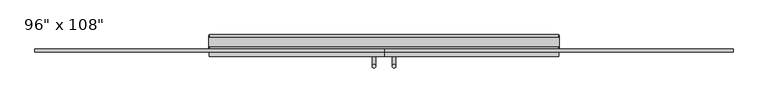
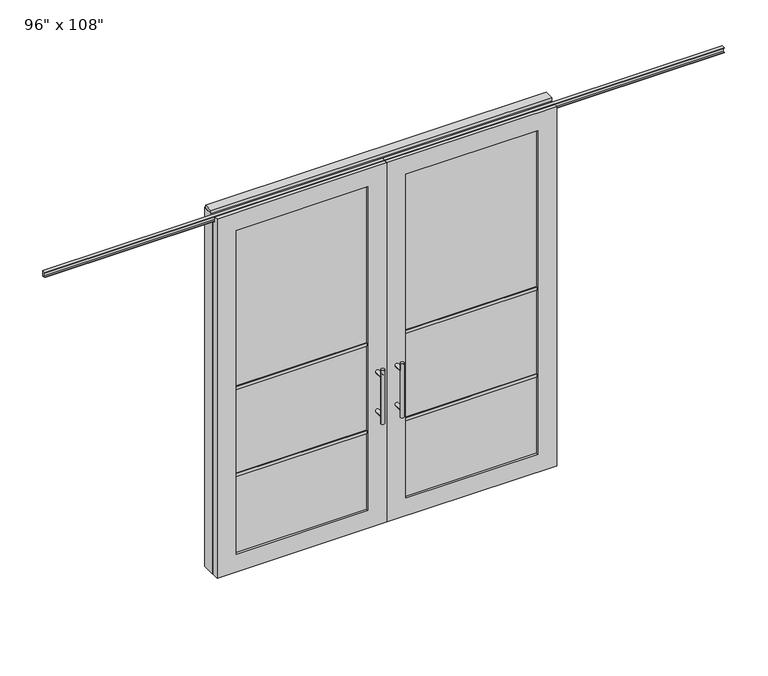
"""IFC4 building model written with IfcOpenShell, lengths in millimetres: furniture geometry."""

import ifcopenshell
import ifcopenshell.guid

model = None  # the IFC model being written
_history = None  # IfcOwnerHistory: only IFC2X3 demands one
_inside = {}  # id of a spatial element -> (the spatial element, [elements in it])
_under = {}  # id of a project, library or spatial element -> (it, [spatial elements below it])
_declared = {}  # id of a project -> (the project, [libraries it declares])
_typed = {}  # id of a type object -> (the type object, [elements of that type])
_made_of = {}  # id of a material, layer set ... -> (it, [elements and type objects made of it])


def new_model(schema):
    """Start an empty IFC model of exactly this schema.

    Asked for "IFC4X3", IfcOpenShell would pick the latest addendum, in which some entities
    have other attributes; the version numbers below select the first issue.
    IFC2X3 requires an IfcOwnerHistory on every rooted entity: one is made here for all.
    """
    global model, _history
    if schema == "IFC4X3":
        model = ifcopenshell.file(schema_version=(4, 3, 0, 0))
    else:
        model = ifcopenshell.file(schema=schema)
    _inside.clear()
    _under.clear()
    _declared.clear()
    _typed.clear()
    _made_of.clear()
    _history = None
    if model.schema == "IFC2X3":
        org = make("IfcOrganization", Name="unknown")
        user = make(
            "IfcPersonAndOrganization",
            ThePerson=make("IfcPerson", FamilyName="unknown"),
            TheOrganization=org,
        )
        app = make(
            "IfcApplication",
            ApplicationDeveloper=org,
            Version="unknown",
            ApplicationFullName="unknown",
            ApplicationIdentifier="unknown",
        )
        _history = make(
            "IfcOwnerHistory",
            OwningUser=user,
            OwningApplication=app,
            ChangeAction="ADDED",
            CreationDate=0,
        )
    return model


def make(cls, **values):
    """One entity of the class cls with the attributes given. An attribute that is None is left unset."""
    return model.create_entity(
        cls, **{name: value for name, value in values.items() if value is not None}
    )


def rooted(cls, **values):
    """An entity with a GlobalId (a new one), such as an element, a storey or a relation."""
    return make(cls, GlobalId=ifcopenshell.guid.new(), OwnerHistory=_history, **values)


def si_unit(unit_type, name, prefix=None):
    """IfcSIUnit, for example si_unit("LENGTHUNIT", "METRE", prefix="MILLI")."""
    return make("IfcSIUnit", UnitType=unit_type, Prefix=prefix, Name=name)


def assignment(units):
    """IfcUnitAssignment: the units of a project."""
    return None if units is None else make("IfcUnitAssignment", Units=units)


def point(xyz):
    """IfcCartesianPoint."""
    return None if xyz is None else make("IfcCartesianPoint", Coordinates=xyz)


def direction(xyz):
    """IfcDirection."""
    return None if xyz is None else make("IfcDirection", DirectionRatios=xyz)


def frame(location, z_axis=None, x_axis=None):
    """IfcAxis2Placement3D, a coordinate frame: its origin and axes. An axis left out is left unset."""
    return make(
        "IfcAxis2Placement3D",
        Location=point(location),
        Axis=direction(z_axis),
        RefDirection=direction(x_axis),
    )


def origin():
    """The frame at (0, 0, 0) with its axes left unset."""
    return frame((0.0, 0.0, 0.0))


def origin_with_axes():
    """The frame at (0, 0, 0) with the z axis (0, 0, 1) and the x axis (1, 0, 0) written out."""
    return frame((0.0, 0.0, 0.0), z_axis=(0.0, 0.0, 1.0), x_axis=(1.0, 0.0, 0.0))


def place(relative_to, where):
    """IfcLocalPlacement: puts the frame where relative to a parent placement (None: the world)."""
    return make(
        "IfcLocalPlacement", PlacementRelTo=relative_to, RelativePlacement=where
    )


def context(
    kind, dimensions, precision=None, world=None, true_north=None, identifier=None
):
    """IfcGeometricRepresentationContext, for example the 3D "Model" context."""
    return make(
        "IfcGeometricRepresentationContext",
        ContextIdentifier=identifier,
        ContextType=kind,
        CoordinateSpaceDimension=dimensions,
        Precision=precision,
        WorldCoordinateSystem=world,
        TrueNorth=true_north,
    )


def project(units=None, contexts=None):
    """IfcProject with its units and contexts."""
    return rooted(
        "IfcProject",
        Name="project",
        RepresentationContexts=contexts,
        UnitsInContext=assignment(units),
    )


def spatial(cls, under=None, at=None, **own):
    """A site, building, storey or space (cls), placed at a placement, below another one or the project."""
    s = rooted(cls, ObjectPlacement=at, **own)
    if under is not None:
        _under.setdefault(under.id(), (under, []))[1].append(s)
    return s


def polyline(points):
    """IfcPolyline through the points."""
    return make("IfcPolyline", Points=[point(p) for p in points])


def circle_curve(where, radius):
    """IfcCircle in the frame where."""
    return make("IfcCircle", Position=where, Radius=radius)


def ellipse_curve(where, semi_axis1, semi_axis2):
    """IfcEllipse in the frame where."""
    return make(
        "IfcEllipse", Position=where, SemiAxis1=semi_axis1, SemiAxis2=semi_axis2
    )


def outline(outer, holes=None, kind="AREA"):
    """IfcArbitraryClosedProfileDef: a profile drawn as a closed curve; with holes, ...WithVoids."""
    if holes is None:
        return make("IfcArbitraryClosedProfileDef", ProfileType=kind, OuterCurve=outer)
    return make(
        "IfcArbitraryProfileDefWithVoids",
        ProfileType=kind,
        OuterCurve=outer,
        InnerCurves=holes,
    )


def extrude(swept, where, along, depth):
    """IfcExtrudedAreaSolid: the profile swept, set in the frame where, extruded along a direction by depth."""
    return make(
        "IfcExtrudedAreaSolid",
        SweptArea=swept,
        Position=where,
        ExtrudedDirection=direction(along),
        Depth=depth,
    )


def faces_of(points, faces, orient=None, outer=None):
    """IfcFace entities. A face is a list of loops; a loop is a list of indices into points, from 0.

    orient and outer hold one flag for each loop. By default every Orientation is true, the
    first loop of a face is its IfcFaceOuterBound and the others are IfcFaceBound.
    """
    made = []
    for i, loops in enumerate(faces):
        bounds = []
        for j, loop in enumerate(loops):
            is_outer = j == 0 if outer is None else outer[i][j]
            bounds.append(
                make(
                    "IfcFaceOuterBound" if is_outer else "IfcFaceBound",
                    Bound=make("IfcPolyLoop", Polygon=[points[k] for k in loop]),
                    Orientation=True if orient is None else orient[i][j],
                )
            )
        made.append(make("IfcFace", Bounds=bounds))
    return made


def faceted_brep(points, faces, orient=None, outer=None, voids=None):
    """IfcFacetedBrep: a solid bounded by flat faces; with voids (closed shells), ...WithVoids."""
    shared = [point(p) for p in points]
    hull = make("IfcClosedShell", CfsFaces=faces_of(shared, faces, orient, outer))
    if voids is None:
        return make("IfcFacetedBrep", Outer=hull)
    return make(
        "IfcFacetedBrepWithVoids",
        Outer=hull,
        Voids=[
            make(cls, CfsFaces=faces_of(shared, fs, o, b)) for cls, fs, o, b in voids
        ],
    )


def shape(context_of_items, identifier, shape_type, items):
    """IfcShapeRepresentation: the items that make up one representation, for example the "Body"."""
    return make(
        "IfcShapeRepresentation",
        ContextOfItems=context_of_items,
        RepresentationIdentifier=identifier,
        RepresentationType=shape_type,
        Items=items,
    )


def source(mapping_origin, context_of_items, identifier, shape_type, items):
    """IfcRepresentationMap: a shape defined once, which mapped items show again and again."""
    return make(
        "IfcRepresentationMap",
        MappingOrigin=mapping_origin,
        MappedRepresentation=shape(context_of_items, identifier, shape_type, items),
    )


def transform(
    local_origin,
    x_axis=None,
    y_axis=None,
    z_axis=None,
    scale=None,
    scale2=None,
    scale3=None,
    uniform=True,
):
    """IfcCartesianTransformationOperator3D, or its non-uniform kind. x_axis, y_axis, z_axis: its Axis1, 2, 3."""
    if uniform:
        return make(
            "IfcCartesianTransformationOperator3D",
            Axis1=direction(x_axis),
            Axis2=direction(y_axis),
            LocalOrigin=point(local_origin),
            Scale=scale,
            Axis3=direction(z_axis),
        )
    return make(
        "IfcCartesianTransformationOperator3DnonUniform",
        Axis1=direction(x_axis),
        Axis2=direction(y_axis),
        LocalOrigin=point(local_origin),
        Scale=scale,
        Axis3=direction(z_axis),
        Scale2=scale2,
        Scale3=scale3,
    )


def mapped(mapping_source, mapping_target):
    """IfcMappedItem: shows the shape of a source again, moved by a transform."""
    return make(
        "IfcMappedItem", MappingSource=mapping_source, MappingTarget=mapping_target
    )


def made_of(thing, what):
    """Note that an element or type object is made of a material, layer set ...; save() writes the relation."""
    if what is not None:
        _made_of.setdefault(what.id(), (what, []))[1].append(thing)
    return thing


def element(
    cls,
    number,
    at=None,
    inside=None,
    cuts=None,
    type_object=None,
    material=None,
    context=None,
    identifier="Body",
    shape_type=None,
    held_by="IfcProductDefinitionShape",
    body=None,
    shapes=None,
    **own,
):
    """One element of the class cls, such as IfcWall. Its Tag is "e" and its number.

    at: its placement. inside: the storey or other place that contains it. cuts: it is an
    opening in that element (IfcRelVoidsElement). A single representation is given by context,
    identifier, shape_type and body (its items); several are given by shapes. held_by: the class
    of the entity that holds the representations. save() writes the other relations.
    """
    e = rooted(cls, Tag="e%d" % number, ObjectPlacement=at, **own)
    if body is not None:
        shapes = [shape(context, identifier, shape_type, body)]
    if shapes is not None:
        e.Representation = make(held_by, Representations=shapes)
    if inside is not None:
        _inside.setdefault(inside.id(), (inside, []))[1].append(e)
    if cuts is not None:
        rooted(
            "IfcRelVoidsElement", RelatingBuildingElement=cuts, RelatedOpeningElement=e
        )
    if type_object is not None:
        _typed.setdefault(type_object.id(), (type_object, []))[1].append(e)
    return made_of(e, material)


def aggregate(whole, parts):
    """IfcRelAggregates: a whole, such as a stair, and the parts it consists of."""
    return rooted("IfcRelAggregates", RelatingObject=whole, RelatedObjects=parts)


def save(model, path):
    """Write the relations noted so far, then the file.

    IfcRelAggregates (storeys below a building ...), IfcRelContainedInSpatialStructure (elements
    in a storey), IfcRelDefinesByType, IfcRelAssociatesMaterial and IfcRelDeclares: one each for
    every whole, place, type object, material and project.
    """
    for whole, parts in _under.values():
        aggregate(whole, parts)
    for where, things in _inside.values():
        rooted(
            "IfcRelContainedInSpatialStructure",
            RelatedElements=things,
            RelatingStructure=where,
        )
    for kind, things in _typed.values():
        rooted("IfcRelDefinesByType", RelatedObjects=things, RelatingType=kind)
    for what, things in _made_of.values():
        rooted("IfcRelAssociatesMaterial", RelatedObjects=things, RelatingMaterial=what)
    for by, libraries in _declared.values():
        rooted("IfcRelDeclares", RelatingContext=by, RelatedDefinitions=libraries)
    model.write(path)


def plane_surface(at):
    """IfcPlane: the flat surface through the origin of the frame at, square to its z axis."""
    return make("IfcPlane", Position=at)


def cylinder_surface(at, radius):
    """IfcCylindricalSurface: all points at the distance radius from the z axis of the frame at."""
    return make("IfcCylindricalSurface", Position=at, Radius=radius)


def advanced_brep(points, edges, surfaces, faces):
    """IfcAdvancedBrep: a solid bounded by faces that lie on surfaces and meet in shared edges.

    An edge is (start, end): straight between two places in points (the first is 0);
    or (start, end, curve); or (start, end, curve, False) where it runs against its curve.
    A face is (place in surfaces, loops), or (place, loops, False) where it looks against
    its surface's normal. A loop lists edges by number (the first is 1), with a minus sign
    where the edge is run from its end to its start. The first loop is the outer one.
    """
    corners = [point(p) for p in points]
    vertices = [make("IfcVertexPoint", VertexGeometry=c) for c in corners]
    made = []
    for start, end, *more in edges:
        made.append(
            make(
                "IfcEdgeCurve",
                EdgeStart=vertices[start],
                EdgeEnd=vertices[end],
                EdgeGeometry=more[0] if more else make("IfcPolyline", Points=[corners[start], corners[end]]),
                SameSense=more[1] if len(more) > 1 else True,
            )
        )
    hull = []
    for where, loops, *sense in faces:
        bounds = []
        for j, loop in enumerate(loops):
            ring = [make("IfcOrientedEdge", EdgeElement=made[abs(k) - 1], Orientation=k > 0) for k in loop]
            bounds.append(
                make(
                    "IfcFaceOuterBound" if j == 0 else "IfcFaceBound",
                    Bound=make("IfcEdgeLoop", EdgeList=ring),
                    Orientation=True,
                )
            )
        hull.append(make("IfcAdvancedFace", Bounds=bounds, FaceSurface=surfaces[where], SameSense=sense[0] if sense else True))
    return make("IfcAdvancedBrep", Outer=make("IfcClosedShell", CfsFaces=hull))


def furniture_5834a287(model_context):
    return source(origin(), model_context, "Body", "SolidModel", [
        advanced_brep(
        [(-117.3135229, 5.8962784, 1219.2), (-142.7135229, 5.8962784, 1219.2), (-117.3135229, 5.8962784, 812.8), (-142.7135229, 5.8962784, 812.8), (-117.3135229, 5.8962784, 1164.336), (-117.3135229, 5.8962784, 867.664), (-142.7135229, 5.8962784, 867.664), (-142.7135229, 5.8962784, 1164.336), (-117.3135229, -61.6677216, 1164.336), (-142.7135229, -61.6677216, 1164.336), (-117.3135229, -61.6677216, 867.664), (-142.7135229, -61.6677216, 867.664)],
        [
            (0, 1, circle_curve(frame((-130.0135229, 5.8962784, 1219.2), z_axis=(0.0, 0.0, 1.0), x_axis=(-1.0, 0.0, 0.0)), 12.7)),
            (1, 0, circle_curve(frame((-130.0135229, 5.8962784, 1219.2), z_axis=(0.0, 0.0, 1.0), x_axis=(-1.0, 0.0, 0.0)), 12.7)),
            (2, 3, circle_curve(frame((-130.0135229, 5.8962784, 812.8), z_axis=(0.0, 0.0, -1.0), x_axis=(-1.0, 0.0, 0.0)), 12.7)),
            (3, 2, circle_curve(frame((-130.0135229, 5.8962784, 812.8), z_axis=(0.0, 0.0, -1.0), x_axis=(-1.0, 0.0, 0.0)), 12.7)),
            (0, 4),
            (4, 5),
            (5, 2),
            (3, 6),
            (6, 7),
            (7, 1),
            (7, 4, ellipse_curve(frame((-130.0135229, 5.8962784, 1164.336), z_axis=(0.0, 0.707106781186565, 0.70710678118653), x_axis=(0.0, -0.70710678118653, 0.707106781186565)), 17.9605122, 12.7)),
            (5, 6, ellipse_curve(frame((-130.0135229, 5.8962784, 867.664), z_axis=(0.0, 0.70710678118653, -0.7071067811865649), x_axis=(0.0, 0.7071067811865648, 0.7071067811865301)), 17.9605122, 12.7)),
            (4, 7, ellipse_curve(frame((-130.0135229, 5.8962784, 1164.336), z_axis=(0.0, 0.70710678118653, -0.7071067811865649), x_axis=(0.0, 0.7071067811865648, 0.7071067811865301)), 17.9605122, 12.7)),
            (6, 5, ellipse_curve(frame((-130.0135229, 5.8962784, 867.664), z_axis=(0.0, 0.707106781186565, 0.70710678118653), x_axis=(0.0, -0.70710678118653, 0.707106781186565)), 17.9605122, 12.7)),
            (8, 9, circle_curve(frame((-130.0135229, -61.6677216, 1164.336), z_axis=(0.0, -1.0, 0.0), x_axis=(-1.0, 0.0, 0.0)), 12.7)),
            (9, 8, circle_curve(frame((-130.0135229, -61.6677216, 1164.336), z_axis=(0.0, -1.0, 0.0), x_axis=(-1.0, 0.0, 0.0)), 12.7)),
            (9, 7),
            (4, 8),
            (10, 11, circle_curve(frame((-130.0135229, -61.6677216, 867.664), z_axis=(0.0, -1.0, 0.0), x_axis=(-1.0, 0.0, 0.0)), 12.7)),
            (11, 10, circle_curve(frame((-130.0135229, -61.6677216, 867.664), z_axis=(0.0, -1.0, 0.0), x_axis=(-1.0, 0.0, 0.0)), 12.7)),
            (11, 6),
            (5, 10),
        ],
        [
            plane_surface(frame((-142.7135229, 5.8962784, 1219.2), z_axis=(0.0, 0.0, 1.0), x_axis=(0.0, -1.0, 0.0))),
            plane_surface(frame((-142.7135229, 5.8962784, 812.8), z_axis=(0.0, 0.0, -1.0), x_axis=(0.0, 1.0, 0.0))),
            cylinder_surface(frame((-130.0135229, 5.8962784, 812.8), z_axis=(0.0, 0.0, 1.0), x_axis=(-1.0, 0.0, 0.0)), 12.7),
            plane_surface(frame((-142.7135229, -61.6677216, 1164.336), z_axis=(0.0, -1.0, 0.0), x_axis=(0.0, 0.0, -1.0))),
            cylinder_surface(frame((-130.0135229, -61.6677216, 1164.336), z_axis=(0.0, 1.0, 0.0), x_axis=(-1.0, 0.0, 0.0)), 12.7),
            plane_surface(frame((-142.7135229, -61.6677216, 867.664), z_axis=(0.0, -1.0, 0.0), x_axis=(0.0, 0.0, -1.0))),
            cylinder_surface(frame((-130.0135229, -61.6677216, 867.664), z_axis=(0.0, 1.0, 0.0), x_axis=(-1.0, 0.0, 0.0)), 12.7),
        ],
        [
            (0, [[1, 2]]),
            (1, [[3, 4]]),
            (2, [[-1, 5, 6, 7, -4, 8, 9, 10]]),
            (2, [[-2, -10, 11, -5]]),
            (2, [[-3, -7, 12, -8]]),
            (2, [[13, -9, 14, -6]]),
            (3, [[15, 16]]),
            (4, [[-16, 17, -13, 18]]),
            (4, [[-15, -18, -11, -17]]),
            (5, [[19, 20]]),
            (6, [[-20, 21, -12, 22]]),
            (6, [[-19, -22, -14, -21]]),
        ],
    ),
        advanced_brep(
        [(-117.3135229, -173.6817216, 1219.2), (-142.7135229, -173.6817216, 1219.2), (-117.3135229, -173.6817216, 812.8), (-142.7135229, -173.6817216, 812.8), (-142.7135229, -173.6817216, 1164.336), (-142.7135229, -173.6817216, 867.664), (-117.3135229, -173.6817216, 867.664), (-117.3135229, -173.6817216, 1164.336), (-117.3135229, -106.1177216, 1164.336), (-142.7135229, -106.1177216, 1164.336), (-117.3135229, -106.1177216, 867.664), (-142.7135229, -106.1177216, 867.664)],
        [
            (0, 1, circle_curve(frame((-130.0135229, -173.6817216, 1219.2), z_axis=(0.0, 0.0, 1.0), x_axis=(-1.0, 0.0, 0.0)), 12.7)),
            (1, 0, circle_curve(frame((-130.0135229, -173.6817216, 1219.2), z_axis=(0.0, 0.0, 1.0), x_axis=(-1.0, 0.0, 0.0)), 12.7)),
            (2, 3, circle_curve(frame((-130.0135229, -173.6817216, 812.8), z_axis=(0.0, 0.0, -1.0), x_axis=(-1.0, 0.0, 0.0)), 12.7)),
            (3, 2, circle_curve(frame((-130.0135229, -173.6817216, 812.8), z_axis=(0.0, 0.0, -1.0), x_axis=(-1.0, 0.0, 0.0)), 12.7)),
            (1, 4),
            (4, 5),
            (5, 3),
            (2, 6),
            (6, 7),
            (7, 0),
            (6, 5, ellipse_curve(frame((-130.0135229, -173.6817216, 867.664), z_axis=(0.0, -0.707106781186565, 0.70710678118653), x_axis=(0.0, 0.70710678118653, 0.707106781186565)), 17.9605122, 12.7)),
            (4, 7, ellipse_curve(frame((-130.0135229, -173.6817216, 1164.336), z_axis=(0.0, -0.70710678118653, -0.7071067811865649), x_axis=(0.0, -0.7071067811865648, 0.7071067811865301)), 17.9605122, 12.7)),
            (7, 4, ellipse_curve(frame((-130.0135229, -173.6817216, 1164.336), z_axis=(0.0, -0.707106781186565, 0.70710678118653), x_axis=(0.0, 0.70710678118653, 0.707106781186565)), 17.9605122, 12.7)),
            (5, 6, ellipse_curve(frame((-130.0135229, -173.6817216, 867.664), z_axis=(0.0, -0.70710678118653, -0.7071067811865649), x_axis=(0.0, -0.7071067811865648, 0.7071067811865301)), 17.9605122, 12.7)),
            (8, 9, circle_curve(frame((-130.0135229, -106.1177216, 1164.336), z_axis=(0.0, 1.0, 0.0), x_axis=(-1.0, 0.0, 0.0)), 12.7)),
            (9, 8, circle_curve(frame((-130.0135229, -106.1177216, 1164.336), z_axis=(0.0, 1.0, 0.0), x_axis=(-1.0, 0.0, 0.0)), 12.7)),
            (8, 7),
            (4, 9),
            (10, 11, circle_curve(frame((-130.0135229, -106.1177216, 867.664), z_axis=(0.0, 1.0, 0.0), x_axis=(-1.0, 0.0, 0.0)), 12.7)),
            (11, 10, circle_curve(frame((-130.0135229, -106.1177216, 867.664), z_axis=(0.0, 1.0, 0.0), x_axis=(-1.0, 0.0, 0.0)), 12.7)),
            (10, 6),
            (5, 11),
        ],
        [
            plane_surface(frame((-142.7135229, -173.6817216, 1219.2), z_axis=(0.0, 0.0, 1.0), x_axis=(0.0, 1.0, 0.0))),
            plane_surface(frame((-142.7135229, -173.6817216, 812.8), z_axis=(0.0, 0.0, -1.0), x_axis=(0.0, -1.0, 0.0))),
            cylinder_surface(frame((-130.0135229, -173.6817216, 812.8), z_axis=(0.0, 0.0, 1.0), x_axis=(-1.0, 0.0, 0.0)), 12.7),
            plane_surface(frame((-142.7135229, -106.1177216, 1164.336), z_axis=(0.0, 1.0, 0.0), x_axis=(0.0, 0.0, -1.0))),
            cylinder_surface(frame((-130.0135229, -106.1177216, 1164.336), z_axis=(0.0, -1.0, 0.0), x_axis=(-1.0, 0.0, 0.0)), 12.7),
            plane_surface(frame((-142.7135229, -106.1177216, 867.664), z_axis=(0.0, 1.0, 0.0), x_axis=(0.0, 0.0, -1.0))),
            cylinder_surface(frame((-130.0135229, -106.1177216, 867.664), z_axis=(0.0, -1.0, 0.0), x_axis=(-1.0, 0.0, 0.0)), 12.7),
        ],
        [
            (0, [[1, 2]]),
            (1, [[3, 4]]),
            (2, [[5, 6, 7, -3, 8, 9, 10, -2]]),
            (2, [[-9, 11, -6, 12]]),
            (2, [[-10, 13, -5, -1]]),
            (2, [[-7, 14, -8, -4]]),
            (3, [[15, 16]]),
            (4, [[17, -12, 18, -15]]),
            (4, [[-18, -13, -17, -16]]),
            (5, [[19, 20]]),
            (6, [[21, -14, 22, -19]]),
            (6, [[-22, -11, -21, -20]]),
        ],
    ),
        extrude(outline(polyline([(-196.0535229, -95.0052216), (-1139.2825229, -95.0052216), (-1139.2825229, -72.7802216), (-196.0535229, -72.7802216), (-196.0535229, -95.0052216)])), frame((0.0, 0.0, 1371.6), z_axis=(0.0, 0.0, 1.0), x_axis=(1.0, 0.0, 0.0)), (0.0, 0.0, 1.0), 22.225),
        extrude(outline(polyline([(-196.0535229, -95.0052216), (-1139.2825229, -95.0052216), (-1139.2825229, -72.7802216), (-196.0535229, -72.7802216), (-196.0535229, -95.0052216)])), frame((0.0, 0.0, 711.2), z_axis=(0.0, 0.0, 1.0), x_axis=(1.0, 0.0, 0.0)), (0.0, 0.0, 1.0), 22.225),
        extrude(outline(polyline([(-1139.2825229, -88.9727216), (-1139.2825229, -78.8127216), (-196.0535229, -78.8127216), (-196.0535229, -88.9727216), (-1139.2825229, -88.9727216)])), frame((0.0, 0.0, 132.969), z_axis=(0.0, 0.0, 1.0), x_axis=(1.0, 0.0, 0.0)), (0.0, 0.0, 1.0), 2451.862),
        extrude(outline(polyline([(-75.3837216, 2681.478), (-75.3837216, 2686.812), (-62.6837216, 2686.812), (-62.6837216, 2715.768), (-75.3837216, 2715.768), (-75.3837216, 2721.102), (-53.6667216, 2721.102), (-53.6667216, 2681.478), (-75.3837216, 2681.478)])), frame((-2490.5625229, 0.0, 0.0), z_axis=(1.0, 0.0, 0.0), x_axis=(0.0, 1.0, 0.0)), (0.0, 0.0, 1.0), 2430.526),
        faceted_brep([(-60.0365229, -106.1177216, 0.0), (-60.0365229, -106.1177216, 2717.8), (-1275.2995229, -106.1177216, 2717.8), (-1275.2995229, -106.1177216, 0.0), (-1139.2825229, -106.1177216, 2584.831), (-196.0535229, -106.1177216, 2584.831), (-196.0535229, -106.1177216, 132.969), (-1139.2825229, -106.1177216, 132.969), (-60.0365229, -78.6857216, 2717.8), (-60.0365229, -78.6857216, 2673.223), (-1275.2995229, -78.6857216, 2673.223), (-1275.2995229, -78.6857216, 2717.8), (-60.0365229, -61.6677216, 0.0), (-60.0365229, -61.6677216, 2673.223), (-1275.2995229, -61.6677216, 2673.223), (-1275.2995229, -61.6677216, 0.0), (-1139.2825229, -61.6677216, 2584.831), (-1139.2825229, -61.6677216, 132.969), (-196.0535229, -61.6677216, 132.969), (-196.0535229, -61.6677216, 2584.831)], [[[0, 1, 2, 3], [4, 5, 6, 7]], [[8, 9, 10, 11]], [[0, 12, 13, 9, 8, 1]], [[2, 11, 10, 14, 15, 3]], [[1, 8, 11, 2]], [[14, 13, 12, 15], [16, 17, 18, 19]], [[14, 10, 9, 13]], [[3, 15, 12, 0]], [[7, 17, 16, 4]], [[6, 18, 17, 7]], [[5, 19, 18, 6]], [[4, 16, 19, 5]]]),
        advanced_brep(
        [(-2.7595229, 5.8962784, 1219.2), (22.6404771, 5.8962784, 1219.2), (-2.7595229, 5.8962784, 812.8), (22.6404771, 5.8962784, 812.8), (22.6404771, 5.8962784, 1164.336), (22.6404771, 5.8962784, 867.664), (-2.7595229, 5.8962784, 867.664), (-2.7595229, 5.8962784, 1164.336), (-2.7595229, -61.6677216, 1164.336), (22.6404771, -61.6677216, 1164.336), (-2.7595229, -61.6677216, 867.664), (22.6404771, -61.6677216, 867.664)],
        [
            (0, 1, circle_curve(frame((9.9404771, 5.8962784, 1219.2), z_axis=(0.0, 0.0, 1.0), x_axis=(1.0, 0.0, 0.0)), 12.7)),
            (1, 0, circle_curve(frame((9.9404771, 5.8962784, 1219.2), z_axis=(0.0, 0.0, 1.0), x_axis=(1.0, 0.0, 0.0)), 12.7)),
            (2, 3, circle_curve(frame((9.9404771, 5.8962784, 812.8), z_axis=(0.0, 0.0, -1.0), x_axis=(1.0, 0.0, 0.0)), 12.7)),
            (3, 2, circle_curve(frame((9.9404771, 5.8962784, 812.8), z_axis=(0.0, 0.0, -1.0), x_axis=(1.0, 0.0, 0.0)), 12.7)),
            (1, 4),
            (4, 5),
            (5, 3),
            (2, 6),
            (6, 7),
            (7, 0),
            (6, 5, ellipse_curve(frame((9.9404771, 5.8962784, 867.664), z_axis=(0.0, 0.707106781186565, 0.70710678118653), x_axis=(0.0, -0.70710678118653, 0.707106781186565)), 17.9605122, 12.7)),
            (4, 7, ellipse_curve(frame((9.9404771, 5.8962784, 1164.336), z_axis=(0.0, 0.70710678118653, -0.7071067811865649), x_axis=(0.0, 0.7071067811865648, 0.7071067811865301)), 17.9605122, 12.7)),
            (7, 4, ellipse_curve(frame((9.9404771, 5.8962784, 1164.336), z_axis=(0.0, 0.707106781186565, 0.70710678118653), x_axis=(0.0, -0.70710678118653, 0.707106781186565)), 17.9605122, 12.7)),
            (5, 6, ellipse_curve(frame((9.9404771, 5.8962784, 867.664), z_axis=(0.0, 0.70710678118653, -0.7071067811865649), x_axis=(0.0, 0.7071067811865648, 0.7071067811865301)), 17.9605122, 12.7)),
            (8, 9, circle_curve(frame((9.9404771, -61.6677216, 1164.336), z_axis=(0.0, -1.0, 0.0), x_axis=(1.0, 0.0, 0.0)), 12.7)),
            (9, 8, circle_curve(frame((9.9404771, -61.6677216, 1164.336), z_axis=(0.0, -1.0, 0.0), x_axis=(1.0, 0.0, 0.0)), 12.7)),
            (8, 7),
            (4, 9),
            (10, 11, circle_curve(frame((9.9404771, -61.6677216, 867.664), z_axis=(0.0, -1.0, 0.0), x_axis=(1.0, 0.0, 0.0)), 12.7)),
            (11, 10, circle_curve(frame((9.9404771, -61.6677216, 867.664), z_axis=(0.0, -1.0, 0.0), x_axis=(1.0, 0.0, 0.0)), 12.7)),
            (10, 6),
            (5, 11),
        ],
        [
            plane_surface(frame((22.6404771, 5.8962784, 1219.2), z_axis=(0.0, 0.0, 1.0), x_axis=(0.0, -1.0, 0.0))),
            plane_surface(frame((22.6404771, 5.8962784, 812.8), z_axis=(0.0, 0.0, -1.0), x_axis=(0.0, 1.0, 0.0))),
            cylinder_surface(frame((9.9404771, 5.8962784, 812.8), z_axis=(0.0, 0.0, 1.0), x_axis=(1.0, 0.0, 0.0)), 12.7),
            plane_surface(frame((22.6404771, -61.6677216, 1164.336), z_axis=(0.0, -1.0, 0.0), x_axis=(0.0, 0.0, -1.0))),
            cylinder_surface(frame((9.9404771, -61.6677216, 1164.336), z_axis=(0.0, 1.0, 0.0), x_axis=(1.0, 0.0, 0.0)), 12.7),
            plane_surface(frame((22.6404771, -61.6677216, 867.664), z_axis=(0.0, -1.0, 0.0), x_axis=(0.0, 0.0, -1.0))),
            cylinder_surface(frame((9.9404771, -61.6677216, 867.664), z_axis=(0.0, 1.0, 0.0), x_axis=(1.0, 0.0, 0.0)), 12.7),
        ],
        [
            (0, [[1, 2]]),
            (1, [[3, 4]]),
            (2, [[5, 6, 7, -3, 8, 9, 10, -2]]),
            (2, [[-9, 11, -6, 12]]),
            (2, [[-10, 13, -5, -1]]),
            (2, [[-7, 14, -8, -4]]),
            (3, [[15, 16]]),
            (4, [[17, -12, 18, -15]]),
            (4, [[-18, -13, -17, -16]]),
            (5, [[19, 20]]),
            (6, [[21, -14, 22, -19]]),
            (6, [[-22, -11, -21, -20]]),
        ],
    ),
        advanced_brep(
        [(-2.7595229, -173.6817216, 1219.2), (22.6404771, -173.6817216, 1219.2), (-2.7595229, -173.6817216, 812.8), (22.6404771, -173.6817216, 812.8), (-2.7595229, -173.6817216, 1164.336), (-2.7595229, -173.6817216, 867.664), (22.6404771, -173.6817216, 867.664), (22.6404771, -173.6817216, 1164.336), (-2.7595229, -106.1177216, 1164.336), (22.6404771, -106.1177216, 1164.336), (-2.7595229, -106.1177216, 867.664), (22.6404771, -106.1177216, 867.664)],
        [
            (0, 1, circle_curve(frame((9.9404771, -173.6817216, 1219.2), z_axis=(0.0, 0.0, 1.0), x_axis=(1.0, 0.0, 0.0)), 12.7)),
            (1, 0, circle_curve(frame((9.9404771, -173.6817216, 1219.2), z_axis=(0.0, 0.0, 1.0), x_axis=(1.0, 0.0, 0.0)), 12.7)),
            (2, 3, circle_curve(frame((9.9404771, -173.6817216, 812.8), z_axis=(0.0, 0.0, -1.0), x_axis=(1.0, 0.0, 0.0)), 12.7)),
            (3, 2, circle_curve(frame((9.9404771, -173.6817216, 812.8), z_axis=(0.0, 0.0, -1.0), x_axis=(1.0, 0.0, 0.0)), 12.7)),
            (0, 4),
            (4, 5),
            (5, 2),
            (3, 6),
            (6, 7),
            (7, 1),
            (7, 4, ellipse_curve(frame((9.9404771, -173.6817216, 1164.336), z_axis=(0.0, -0.707106781186565, 0.70710678118653), x_axis=(0.0, 0.70710678118653, 0.707106781186565)), 17.9605122, 12.7)),
            (5, 6, ellipse_curve(frame((9.9404771, -173.6817216, 867.664), z_axis=(0.0, -0.70710678118653, -0.7071067811865649), x_axis=(0.0, -0.7071067811865648, 0.7071067811865301)), 17.9605122, 12.7)),
            (4, 7, ellipse_curve(frame((9.9404771, -173.6817216, 1164.336), z_axis=(0.0, -0.70710678118653, -0.7071067811865649), x_axis=(0.0, -0.7071067811865648, 0.7071067811865301)), 17.9605122, 12.7)),
            (6, 5, ellipse_curve(frame((9.9404771, -173.6817216, 867.664), z_axis=(0.0, -0.707106781186565, 0.70710678118653), x_axis=(0.0, 0.70710678118653, 0.707106781186565)), 17.9605122, 12.7)),
            (8, 9, circle_curve(frame((9.9404771, -106.1177216, 1164.336), z_axis=(0.0, 1.0, 0.0), x_axis=(1.0, 0.0, 0.0)), 12.7)),
            (9, 8, circle_curve(frame((9.9404771, -106.1177216, 1164.336), z_axis=(0.0, 1.0, 0.0), x_axis=(1.0, 0.0, 0.0)), 12.7)),
            (9, 7),
            (4, 8),
            (10, 11, circle_curve(frame((9.9404771, -106.1177216, 867.664), z_axis=(0.0, 1.0, 0.0), x_axis=(1.0, 0.0, 0.0)), 12.7)),
            (11, 10, circle_curve(frame((9.9404771, -106.1177216, 867.664), z_axis=(0.0, 1.0, 0.0), x_axis=(1.0, 0.0, 0.0)), 12.7)),
            (11, 6),
            (5, 10),
        ],
        [
            plane_surface(frame((22.6404771, -173.6817216, 1219.2), z_axis=(0.0, 0.0, 1.0), x_axis=(0.0, 1.0, 0.0))),
            plane_surface(frame((22.6404771, -173.6817216, 812.8), z_axis=(0.0, 0.0, -1.0), x_axis=(0.0, -1.0, 0.0))),
            cylinder_surface(frame((9.9404771, -173.6817216, 812.8), z_axis=(0.0, 0.0, 1.0), x_axis=(1.0, 0.0, 0.0)), 12.7),
            plane_surface(frame((22.6404771, -106.1177216, 1164.336), z_axis=(0.0, 1.0, 0.0), x_axis=(0.0, 0.0, -1.0))),
            cylinder_surface(frame((9.9404771, -106.1177216, 1164.336), z_axis=(0.0, -1.0, 0.0), x_axis=(1.0, 0.0, 0.0)), 12.7),
            plane_surface(frame((22.6404771, -106.1177216, 867.664), z_axis=(0.0, 1.0, 0.0), x_axis=(0.0, 0.0, -1.0))),
            cylinder_surface(frame((9.9404771, -106.1177216, 867.664), z_axis=(0.0, -1.0, 0.0), x_axis=(1.0, 0.0, 0.0)), 12.7),
        ],
        [
            (0, [[1, 2]]),
            (1, [[3, 4]]),
            (2, [[-1, 5, 6, 7, -4, 8, 9, 10]]),
            (2, [[-2, -10, 11, -5]]),
            (2, [[-3, -7, 12, -8]]),
            (2, [[13, -9, 14, -6]]),
            (3, [[15, 16]]),
            (4, [[-16, 17, -13, 18]]),
            (4, [[-15, -18, -11, -17]]),
            (5, [[19, 20]]),
            (6, [[-20, 21, -12, 22]]),
            (6, [[-19, -22, -14, -21]]),
        ],
    ),
        extrude(outline(polyline([(75.9804771, -95.0052216), (75.9804771, -72.7802216), (1019.2094771, -72.7802216), (1019.2094771, -95.0052216), (75.9804771, -95.0052216)])), frame((0.0, 0.0, 1371.6), z_axis=(0.0, 0.0, 1.0), x_axis=(1.0, 0.0, 0.0)), (0.0, 0.0, 1.0), 22.225),
        extrude(outline(polyline([(75.9804771, -95.0052216), (75.9804771, -72.7802216), (1019.2094771, -72.7802216), (1019.2094771, -95.0052216), (75.9804771, -95.0052216)])), frame((0.0, 0.0, 711.2), z_axis=(0.0, 0.0, 1.0), x_axis=(1.0, 0.0, 0.0)), (0.0, 0.0, 1.0), 22.225),
        extrude(outline(polyline([(1019.2094771, -88.9727216), (75.9804771, -88.9727216), (75.9804771, -78.8127216), (1019.2094771, -78.8127216), (1019.2094771, -88.9727216)])), frame((0.0, 0.0, 132.969), z_axis=(0.0, 0.0, 1.0), x_axis=(1.0, 0.0, 0.0)), (0.0, 0.0, 1.0), 2451.862),
        extrude(outline(polyline([(-75.3837216, 2681.478), (-75.3837216, 2686.812), (-62.6837216, 2686.812), (-62.6837216, 2715.768), (-75.3837216, 2715.768), (-75.3837216, 2721.102), (-53.6667216, 2721.102), (-53.6667216, 2681.478), (-75.3837216, 2681.478)])), frame((-60.0365229, 0.0, 0.0), z_axis=(1.0, 0.0, 0.0), x_axis=(0.0, 1.0, 0.0)), (0.0, 0.0, 1.0), 2430.526),
        faceted_brep([(-60.0365229, -106.1177216, 0.0), (1155.2264771, -106.1177216, 0.0), (1155.2264771, -106.1177216, 2717.8), (-60.0365229, -106.1177216, 2717.8), (1019.2094771, -106.1177216, 2584.831), (1019.2094771, -106.1177216, 132.969), (75.9804771, -106.1177216, 132.969), (75.9804771, -106.1177216, 2584.831), (-60.0365229, -78.6857216, 2717.8), (1155.2264771, -78.6857216, 2717.8), (1155.2264771, -78.6857216, 2673.223), (-60.0365229, -78.6857216, 2673.223), (-60.0365229, -61.6677216, 2673.223), (-60.0365229, -61.6677216, 0.0), (1155.2264771, -61.6677216, 0.0), (1155.2264771, -61.6677216, 2673.223), (1019.2094771, -61.6677216, 2584.831), (75.9804771, -61.6677216, 2584.831), (75.9804771, -61.6677216, 132.969), (1019.2094771, -61.6677216, 132.969)], [[[0, 1, 2, 3], [4, 5, 6, 7]], [[8, 9, 10, 11]], [[0, 3, 8, 11, 12, 13]], [[2, 1, 14, 15, 10, 9]], [[3, 2, 9, 8]], [[15, 14, 13, 12], [16, 17, 18, 19]], [[15, 12, 11, 10]], [[1, 0, 13, 14]], [[5, 4, 16, 19]], [[6, 5, 19, 18]], [[7, 6, 18, 17]], [[4, 7, 17, 16]]]),
        extrude(outline(polyline([(-1275.2995229, -55.3177216), (-1275.2995229, 46.2822784), (1155.2264771, 46.2822784), (1155.2264771, -55.3177216), (-1275.2995229, -55.3177216)])), frame((0.0, 0.0, 2654.3), z_axis=(0.0, 0.0, 1.0), x_axis=(1.0, 0.0, 0.0)), (0.0, 0.0, 1.0), 22.225),
        extrude(outline(polyline([(1159.1634771, -50.3647216), (1155.2264771, -50.3647216), (1155.2264771, 41.3292784), (1159.1634771, 41.3292784), (1159.1634771, -50.3647216)])), origin_with_axes(), (0.0, 0.0, 1.0), 2717.8),
        extrude(outline(polyline([(-1279.2365229, -50.3647216), (-1279.2365229, 41.3292784), (-1275.2995229, 41.3292784), (-1275.2995229, -50.3647216), (-1279.2365229, -50.3647216)])), origin_with_axes(), (0.0, 0.0, 1.0), 2717.8),
        extrude(outline(polyline([(1133.0014771, -55.3177216), (1133.0014771, 46.2822784), (1155.2264771, 46.2822784), (1155.2264771, -55.3177216), (1133.0014771, -55.3177216)])), origin_with_axes(), (0.0, 0.0, 1.0), 2654.3),
        extrude(outline(polyline([(-1253.0745229, -55.3177216), (-1275.2995229, -55.3177216), (-1275.2995229, 46.2822784), (-1253.0745229, 46.2822784), (-1253.0745229, -55.3177216)])), origin_with_axes(), (0.0, 0.0, 1.0), 2654.3),
        extrude(outline(polyline([(-55.3177216, 2681.478), (-55.3177216, 2717.8), (46.2822784, 2717.8), (46.2822784, 2681.478), (41.3292784, 2681.478), (41.3292784, 2676.525), (-50.3647216, 2676.525), (-50.3647216, 2681.478), (-55.3177216, 2681.478)])), frame((-1275.2995229, 0.0, 0.0), z_axis=(1.0, 0.0, 0.0), x_axis=(0.0, 1.0, 0.0)), (0.0, 0.0, 1.0), 2430.526),
        extrude(outline(polyline([(-1279.2365229, -37.0297216), (-1279.2365229, 27.9942784), (1159.1634771, 27.9942784), (1159.1634771, -37.0297216), (-1279.2365229, -37.0297216)])), frame((0.0, 0.0, 2717.8), z_axis=(0.0, 0.0, 1.0), x_axis=(1.0, 0.0, 0.0)), (0.0, 0.0, 1.0), 25.4),
    ])


if __name__ == "__main__":
    model = new_model("IFC4")
    model_context = context("Model", 3, world=origin())
    ifc_project = project(units=[si_unit("LENGTHUNIT", "METRE", prefix="MILLI")], contexts=[model_context])
    site = spatial("IfcSite", under=ifc_project)
    building = spatial("IfcBuilding", under=site)
    placement = place(None, origin())
    furniture_shape = furniture_5834a287(model_context)
    element("IfcFurniture", 1, ObjectType="96\" x 108\"", at=placement, inside=building, context=model_context, shape_type="MappedRepresentation", body=[
        mapped(furniture_shape, transform((0.0, 0.0, 0.0), x_axis=(1.0, 0.0, 0.0), y_axis=(0.0, 1.0, 0.0), z_axis=(0.0, 0.0, 1.0))),
    ])
    save(model, "model.ifc")
